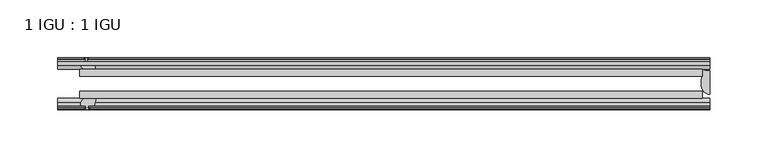
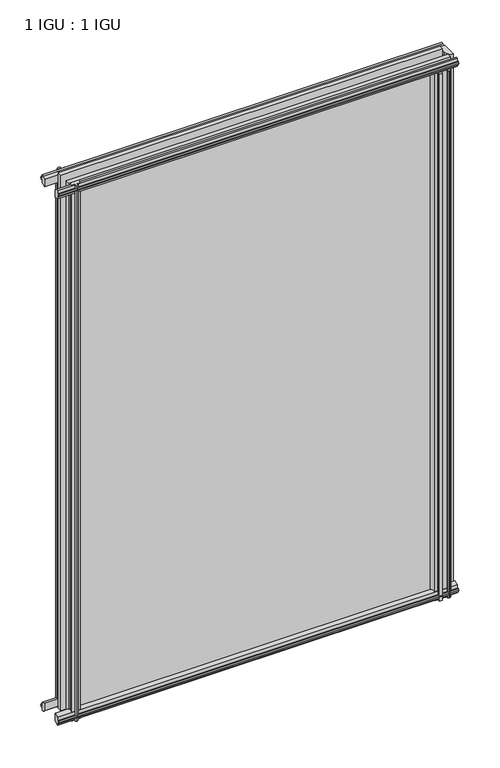
"""IFC4 building model written with IfcOpenShell, lengths in millimetres: plate geometry, 1 IGU : 1 IGU."""

import ifcopenshell
import ifcopenshell.guid

model = None  # the IFC model being written
_history = None  # IfcOwnerHistory: only IFC2X3 demands one
_inside = {}  # id of a spatial element -> (the spatial element, [elements in it])
_under = {}  # id of a project, library or spatial element -> (it, [spatial elements below it])
_declared = {}  # id of a project -> (the project, [libraries it declares])
_typed = {}  # id of a type object -> (the type object, [elements of that type])
_made_of = {}  # id of a material, layer set ... -> (it, [elements and type objects made of it])


def new_model(schema):
    """Start an empty IFC model of exactly this schema.

    Asked for "IFC4X3", IfcOpenShell would pick the latest addendum, in which some entities
    have other attributes; the version numbers below select the first issue.
    IFC2X3 requires an IfcOwnerHistory on every rooted entity: one is made here for all.
    """
    global model, _history
    if schema == "IFC4X3":
        model = ifcopenshell.file(schema_version=(4, 3, 0, 0))
    else:
        model = ifcopenshell.file(schema=schema)
    _inside.clear()
    _under.clear()
    _declared.clear()
    _typed.clear()
    _made_of.clear()
    _history = None
    if model.schema == "IFC2X3":
        org = make("IfcOrganization", Name="unknown")
        user = make(
            "IfcPersonAndOrganization",
            ThePerson=make("IfcPerson", FamilyName="unknown"),
            TheOrganization=org,
        )
        app = make(
            "IfcApplication",
            ApplicationDeveloper=org,
            Version="unknown",
            ApplicationFullName="unknown",
            ApplicationIdentifier="unknown",
        )
        _history = make(
            "IfcOwnerHistory",
            OwningUser=user,
            OwningApplication=app,
            ChangeAction="ADDED",
            CreationDate=0,
        )
    return model


def make(cls, **values):
    """One entity of the class cls with the attributes given. An attribute that is None is left unset."""
    return model.create_entity(
        cls, **{name: value for name, value in values.items() if value is not None}
    )


def rooted(cls, **values):
    """An entity with a GlobalId (a new one), such as an element, a storey or a relation."""
    return make(cls, GlobalId=ifcopenshell.guid.new(), OwnerHistory=_history, **values)


def si_unit(unit_type, name, prefix=None):
    """IfcSIUnit, for example si_unit("LENGTHUNIT", "METRE", prefix="MILLI")."""
    return make("IfcSIUnit", UnitType=unit_type, Prefix=prefix, Name=name)


def assignment(units):
    """IfcUnitAssignment: the units of a project."""
    return None if units is None else make("IfcUnitAssignment", Units=units)


def point(xyz):
    """IfcCartesianPoint."""
    return None if xyz is None else make("IfcCartesianPoint", Coordinates=xyz)


def direction(xyz):
    """IfcDirection."""
    return None if xyz is None else make("IfcDirection", DirectionRatios=xyz)


def frame(location, z_axis=None, x_axis=None):
    """IfcAxis2Placement3D, a coordinate frame: its origin and axes. An axis left out is left unset."""
    return make(
        "IfcAxis2Placement3D",
        Location=point(location),
        Axis=direction(z_axis),
        RefDirection=direction(x_axis),
    )


def frame_2d(location, x_axis=None):
    """IfcAxis2Placement2D, a coordinate frame in the plane: its origin and x axis."""
    return make(
        "IfcAxis2Placement2D", Location=point(location), RefDirection=direction(x_axis)
    )


def origin():
    """The frame at (0, 0, 0) with its axes left unset."""
    return frame((0.0, 0.0, 0.0))


def place(relative_to, where):
    """IfcLocalPlacement: puts the frame where relative to a parent placement (None: the world)."""
    return make(
        "IfcLocalPlacement", PlacementRelTo=relative_to, RelativePlacement=where
    )


def context(
    kind, dimensions, precision=None, world=None, true_north=None, identifier=None
):
    """IfcGeometricRepresentationContext, for example the 3D "Model" context."""
    return make(
        "IfcGeometricRepresentationContext",
        ContextIdentifier=identifier,
        ContextType=kind,
        CoordinateSpaceDimension=dimensions,
        Precision=precision,
        WorldCoordinateSystem=world,
        TrueNorth=true_north,
    )


def project(units=None, contexts=None):
    """IfcProject with its units and contexts."""
    return rooted(
        "IfcProject",
        Name="project",
        RepresentationContexts=contexts,
        UnitsInContext=assignment(units),
    )


def spatial(cls, under=None, at=None, **own):
    """A site, building, storey or space (cls), placed at a placement, below another one or the project."""
    s = rooted(cls, ObjectPlacement=at, **own)
    if under is not None:
        _under.setdefault(under.id(), (under, []))[1].append(s)
    return s


def polyline(points):
    """IfcPolyline through the points."""
    return make("IfcPolyline", Points=[point(p) for p in points])


def circle_curve(where, radius):
    """IfcCircle in the frame where."""
    return make("IfcCircle", Position=where, Radius=radius)


def ellipse_curve(where, semi_axis1, semi_axis2):
    """IfcEllipse in the frame where."""
    return make(
        "IfcEllipse", Position=where, SemiAxis1=semi_axis1, SemiAxis2=semi_axis2
    )


def trimmed(basis, trim1, trim2, sense, master):
    """IfcTrimmedCurve: the piece of a basis curve between two trims."""
    return make(
        "IfcTrimmedCurve",
        BasisCurve=basis,
        Trim1=trim1,
        Trim2=trim2,
        SenseAgreement=sense,
        MasterRepresentation=master,
    )


def segment(curve, same_sense, transition):
    """IfcCompositeCurveSegment."""
    return make(
        "IfcCompositeCurveSegment",
        Transition=transition,
        SameSense=same_sense,
        ParentCurve=curve,
    )


def composite_curve(segments, self_intersect=None):
    """IfcCompositeCurve: segments joined end to end."""
    return make("IfcCompositeCurve", Segments=segments, SelfIntersect=self_intersect)


def outline(outer, holes=None, kind="AREA"):
    """IfcArbitraryClosedProfileDef: a profile drawn as a closed curve; with holes, ...WithVoids."""
    if holes is None:
        return make("IfcArbitraryClosedProfileDef", ProfileType=kind, OuterCurve=outer)
    return make(
        "IfcArbitraryProfileDefWithVoids",
        ProfileType=kind,
        OuterCurve=outer,
        InnerCurves=holes,
    )


def extrude(swept, where, along, depth):
    """IfcExtrudedAreaSolid: the profile swept, set in the frame where, extruded along a direction by depth."""
    return make(
        "IfcExtrudedAreaSolid",
        SweptArea=swept,
        Position=where,
        ExtrudedDirection=direction(along),
        Depth=depth,
    )


def shape(context_of_items, identifier, shape_type, items):
    """IfcShapeRepresentation: the items that make up one representation, for example the "Body"."""
    return make(
        "IfcShapeRepresentation",
        ContextOfItems=context_of_items,
        RepresentationIdentifier=identifier,
        RepresentationType=shape_type,
        Items=items,
    )


def source(mapping_origin, context_of_items, identifier, shape_type, items):
    """IfcRepresentationMap: a shape defined once, which mapped items show again and again."""
    return make(
        "IfcRepresentationMap",
        MappingOrigin=mapping_origin,
        MappedRepresentation=shape(context_of_items, identifier, shape_type, items),
    )


def transform(
    local_origin,
    x_axis=None,
    y_axis=None,
    z_axis=None,
    scale=None,
    scale2=None,
    scale3=None,
    uniform=True,
):
    """IfcCartesianTransformationOperator3D, or its non-uniform kind. x_axis, y_axis, z_axis: its Axis1, 2, 3."""
    if uniform:
        return make(
            "IfcCartesianTransformationOperator3D",
            Axis1=direction(x_axis),
            Axis2=direction(y_axis),
            LocalOrigin=point(local_origin),
            Scale=scale,
            Axis3=direction(z_axis),
        )
    return make(
        "IfcCartesianTransformationOperator3DnonUniform",
        Axis1=direction(x_axis),
        Axis2=direction(y_axis),
        LocalOrigin=point(local_origin),
        Scale=scale,
        Axis3=direction(z_axis),
        Scale2=scale2,
        Scale3=scale3,
    )


def mapped(mapping_source, mapping_target):
    """IfcMappedItem: shows the shape of a source again, moved by a transform."""
    return make(
        "IfcMappedItem", MappingSource=mapping_source, MappingTarget=mapping_target
    )


def made_of(thing, what):
    """Note that an element or type object is made of a material, layer set ...; save() writes the relation."""
    if what is not None:
        _made_of.setdefault(what.id(), (what, []))[1].append(thing)
    return thing


def element(
    cls,
    number,
    at=None,
    inside=None,
    cuts=None,
    type_object=None,
    material=None,
    context=None,
    identifier="Body",
    shape_type=None,
    held_by="IfcProductDefinitionShape",
    body=None,
    shapes=None,
    **own,
):
    """One element of the class cls, such as IfcWall. Its Tag is "e" and its number.

    at: its placement. inside: the storey or other place that contains it. cuts: it is an
    opening in that element (IfcRelVoidsElement). A single representation is given by context,
    identifier, shape_type and body (its items); several are given by shapes. held_by: the class
    of the entity that holds the representations. save() writes the other relations.
    """
    e = rooted(cls, Tag="e%d" % number, ObjectPlacement=at, **own)
    if body is not None:
        shapes = [shape(context, identifier, shape_type, body)]
    if shapes is not None:
        e.Representation = make(held_by, Representations=shapes)
    if inside is not None:
        _inside.setdefault(inside.id(), (inside, []))[1].append(e)
    if cuts is not None:
        rooted(
            "IfcRelVoidsElement", RelatingBuildingElement=cuts, RelatedOpeningElement=e
        )
    if type_object is not None:
        _typed.setdefault(type_object.id(), (type_object, []))[1].append(e)
    return made_of(e, material)


def aggregate(whole, parts):
    """IfcRelAggregates: a whole, such as a stair, and the parts it consists of."""
    return rooted("IfcRelAggregates", RelatingObject=whole, RelatedObjects=parts)


def save(model, path):
    """Write the relations noted so far, then the file.

    IfcRelAggregates (storeys below a building ...), IfcRelContainedInSpatialStructure (elements
    in a storey), IfcRelDefinesByType, IfcRelAssociatesMaterial and IfcRelDeclares: one each for
    every whole, place, type object, material and project.
    """
    for whole, parts in _under.values():
        aggregate(whole, parts)
    for where, things in _inside.values():
        rooted(
            "IfcRelContainedInSpatialStructure",
            RelatedElements=things,
            RelatingStructure=where,
        )
    for kind, things in _typed.values():
        rooted("IfcRelDefinesByType", RelatedObjects=things, RelatingType=kind)
    for what, things in _made_of.values():
        rooted("IfcRelAssociatesMaterial", RelatedObjects=things, RelatingMaterial=what)
    for by, libraries in _declared.values():
        rooted("IfcRelDeclares", RelatingContext=by, RelatedDefinitions=libraries)
    model.write(path)


def plane_surface(at):
    """IfcPlane: the flat surface through the origin of the frame at, square to its z axis."""
    return make("IfcPlane", Position=at)


def cylinder_surface(at, radius):
    """IfcCylindricalSurface: all points at the distance radius from the z axis of the frame at."""
    return make("IfcCylindricalSurface", Position=at, Radius=radius)


def revolved_surface(curve, axis_point, axis_direction):
    """IfcSurfaceOfRevolution: the curve turned about the line through axis_point along axis_direction."""
    return make(
        "IfcSurfaceOfRevolution",
        SweptCurve=make("IfcArbitraryOpenProfileDef", ProfileType="CURVE", Curve=curve),
        AxisPosition=make("IfcAxis1Placement", Location=point(axis_point), Axis=direction(axis_direction)),
    )


def extruded_surface(curve, direction_of_extrusion, depth):
    """IfcSurfaceOfLinearExtrusion: the curve pushed along a direction by depth."""
    return make(
        "IfcSurfaceOfLinearExtrusion",
        SweptCurve=make("IfcArbitraryOpenProfileDef", ProfileType="CURVE", Curve=curve),
        ExtrudedDirection=direction(direction_of_extrusion),
        Depth=depth,
    )


def advanced_brep(points, edges, surfaces, faces):
    """IfcAdvancedBrep: a solid bounded by faces that lie on surfaces and meet in shared edges.

    An edge is (start, end): straight between two places in points (the first is 0);
    or (start, end, curve); or (start, end, curve, False) where it runs against its curve.
    A face is (place in surfaces, loops), or (place, loops, False) where it looks against
    its surface's normal. A loop lists edges by number (the first is 1), with a minus sign
    where the edge is run from its end to its start. The first loop is the outer one.
    """
    corners = [point(p) for p in points]
    vertices = [make("IfcVertexPoint", VertexGeometry=c) for c in corners]
    made = []
    for start, end, *more in edges:
        made.append(
            make(
                "IfcEdgeCurve",
                EdgeStart=vertices[start],
                EdgeEnd=vertices[end],
                EdgeGeometry=more[0] if more else make("IfcPolyline", Points=[corners[start], corners[end]]),
                SameSense=more[1] if len(more) > 1 else True,
            )
        )
    hull = []
    for where, loops, *sense in faces:
        bounds = []
        for j, loop in enumerate(loops):
            ring = [make("IfcOrientedEdge", EdgeElement=made[abs(k) - 1], Orientation=k > 0) for k in loop]
            bounds.append(
                make(
                    "IfcFaceOuterBound" if j == 0 else "IfcFaceBound",
                    Bound=make("IfcEdgeLoop", EdgeList=ring),
                    Orientation=True,
                )
            )
        hull.append(make("IfcAdvancedFace", Bounds=bounds, FaceSurface=surfaces[where], SameSense=sense[0] if sense else True))
    return make("IfcAdvancedBrep", Outer=make("IfcClosedShell", CfsFaces=hull))


def plate_1_igu_1_igu_dde4f203(model_context):
    return source(origin(), model_context, "Body", "SolidModel", [
        extrude(outline(polyline([(-263.5250001, -38.6468937), (276.2250001, -38.6468937), (276.2250001, -44.9460938), (-263.5250001, -44.9460938), (-263.5250001, -38.6468937)])), frame((0.0, 0.0, -12.7), z_axis=(0.0, 0.0, 1.0), x_axis=(1.0, 0.0, 0.0)), (0.0, 0.0, 1.0), 800.0999999),
        extrude(outline(polyline([(-263.5250001, -19.5460937), (276.2250001, -19.5460937), (276.2250001, -25.8960938), (-263.5250001, -25.8960938), (-263.5250001, -19.5460937)])), frame((0.0, 0.0, -12.7), z_axis=(0.0, 0.0, 1.0), x_axis=(1.0, 0.0, 0.0)), (0.0, 0.0, 1.0), 800.0999999),
        advanced_brep(
        [(282.5750001, -21.1709383, -12.4587), (282.5750001, -41.5384061, -12.4587), (275.0526629, -32.2460938, -12.4587), (276.2250001, -25.8452938, -12.4587), (276.2250001, -19.5460938, -12.4587), (282.5750001, -21.1709383, 787.3999999), (276.2250001, -19.5460938, 787.3999999), (276.2250001, -25.8452938, 787.3999999), (275.0526629, -32.2460938, 787.3999999), (282.5750001, -41.5384061, 787.3999999)],
        [
            (0, 1),
            (1, 2, ellipse_curve(frame((282.5750001, -32.2460938, -12.4587), z_axis=(0.0, 0.0, -1.0), x_axis=(0.0, -1.0, 0.0)), 9.2923124, 7.5223371)),
            (2, 3, circle_curve(frame((293.1125764, -32.2460938, -12.4587), z_axis=(0.0, 0.0, -1.0), x_axis=(1.0, 0.0, 0.0)), 18.0599135)),
            (3, 4),
            (4, 0, circle_curve(frame((282.5750001, -7.950406, -12.4587), z_axis=(0.0, 0.0, 1.0), x_axis=(1.0, 0.0, 0.0)), 13.2205323)),
            (5, 6, circle_curve(frame((282.5750001, -7.950406, 787.3999999), z_axis=(0.0, 0.0, -1.0), x_axis=(1.0, 0.0, 0.0)), 13.2205323)),
            (6, 7),
            (7, 8, circle_curve(frame((293.1125764, -32.2460938, 787.3999999), z_axis=(0.0, 0.0, 1.0), x_axis=(1.0, 0.0, 0.0)), 18.0599135)),
            (8, 9, ellipse_curve(frame((282.5750001, -32.2460938, 787.3999999), z_axis=(0.0, 0.0, 1.0), x_axis=(0.0, -1.0, 0.0)), 9.2923124, 7.5223371)),
            (9, 5),
            (1, 9),
            (8, 2),
            (7, 3),
            (6, 4),
            (5, 0),
        ],
        [
            plane_surface(frame((282.5750001, -13.1960938, -12.4587), z_axis=(0.0, 0.0, -1.0), x_axis=(0.0, 1.0, 0.0))),
            plane_surface(frame((282.5750001, -13.1960938, 787.3999999), z_axis=(0.0, 0.0, 1.0), x_axis=(0.0, 1.0, 0.0))),
            extruded_surface(trimmed(ellipse_curve(frame((282.5750001, -32.2460938, 787.3999999), z_axis=(0.0, 0.0, -1.0), x_axis=(0.0, -1.0, 0.0)), 9.2923124, 7.5223371), [point((282.5750001, -41.5384061, 787.3999999))], [point((275.0526629, -32.2460938, 787.3999999))], True, "CARTESIAN"), (0.0, 0.0, -799.8586999), 799.8586999),
            cylinder_surface(frame((293.1125764, -32.2460938, -12.4587), z_axis=(0.0, 0.0, -1.0), x_axis=(1.0, 0.0, 0.0)), 18.0599135),
            plane_surface(frame((276.2250001, -25.8452938, -12.4587), z_axis=(-1.0, 0.0, 0.0), x_axis=(0.0, 0.0, 1.0))),
            revolved_surface(polyline([(295.7955324, -7.950406, 787.3999999), (295.7955324, -7.950406, -12.4587)]), (282.5750001, -7.950406, -12.4587), (0.0, 0.0, 1.0)),
            plane_surface(frame((282.5750001, -21.1709383, -12.4587), z_axis=(1.0, 0.0, 0.0), x_axis=(0.0, 0.0, 1.0))),
        ],
        [
            (0, [[1, 2, 3, 4, 5]]),
            (1, [[6, 7, 8, 9, 10]]),
            (2, [[-2, 11, -9, 12]]),
            (3, [[-3, -12, -8, 13]]),
            (4, [[-4, -13, -7, 14]]),
            (5, [[-5, -14, -6, 15]]),
            (6, [[-1, -15, -10, -11]]),
        ],
    ),
        extrude(outline(polyline([(-44.9460937, 1.7177181), (-44.9460937, -9.1036578), (-48.3496937, -11.938), (-51.2960937, -11.938), (-51.2960937, -7.493), (-53.6762907, -7.112), (-53.2163575, -8.5275291), (-54.0175717, -8.5275291), (-54.7250937, -6.35), (-54.0175717, -4.1724709), (-53.2163575, -4.1724709), (-53.6762907, -5.588), (-51.2960937, -5.207), (-51.2960937, 0.0), (-44.9460937, 1.7177181)])), frame((-282.5750001, 0.0, 0.0), z_axis=(1.0, 0.0, 0.0), x_axis=(0.0, 1.0, 0.0)), (0.0, 0.0, 1.0), 565.1500002),
        extrude(outline(polyline([(-13.1960937, -12.4587), (-16.1424937, -12.4587), (-19.5460937, -9.6243578), (-19.5460937, 1.1970181), (-13.1960937, -0.5207), (-13.1960937, -5.7277), (-10.8158968, -6.1087), (-11.27583, -4.6931709), (-10.4746158, -4.6931709), (-9.7670937, -6.8707), (-10.4746158, -9.0482291), (-11.27583, -9.0482291), (-10.8158968, -7.6327), (-13.1960937, -8.0137), (-13.1960937, -12.4587)])), frame((-282.5750001, 0.0, 0.0), z_axis=(1.0, 0.0, 0.0), x_axis=(0.0, 1.0, 0.0)), (0.0, 0.0, 1.0), 565.1500002),
        extrude(outline(polyline([(-51.2960937, 786.6379999), (-48.3496937, 786.6379999), (-44.9460937, 783.8036577), (-44.9460937, 772.9822818), (-51.2960937, 774.6999999), (-51.2960937, 779.9069999), (-53.6762907, 780.2879999), (-53.2163575, 778.8724708), (-54.0175717, 778.8724708), (-54.7250937, 781.0499999), (-54.0175717, 783.2275289), (-53.2163575, 783.2275289), (-53.6762907, 781.8119999), (-51.2960937, 782.1929999), (-51.2960937, 786.6379999)])), frame((-282.5750001, 0.0, 0.0), z_axis=(1.0, 0.0, 0.0), x_axis=(0.0, 1.0, 0.0)), (0.0, 0.0, 1.0), 565.1500002),
        extrude(outline(polyline([(-19.5460937, 773.5029818), (-19.5460937, 784.3243577), (-16.1424937, 787.1586999), (-13.1960937, 787.1586999), (-13.1960937, 782.7136999), (-10.8158968, 782.3326999), (-11.27583, 783.7482289), (-10.4746158, 783.7482289), (-9.7670937, 781.5706999), (-10.4746158, 779.3931708), (-11.27583, 779.3931708), (-10.8158968, 780.8086999), (-13.1960937, 780.4276999), (-13.1960937, 775.2206999), (-19.5460937, 773.5029818)])), frame((-282.5750001, 0.0, 0.0), z_axis=(1.0, 0.0, 0.0), x_axis=(0.0, 1.0, 0.0)), (0.0, 0.0, 1.0), 565.1500002),
        extrude(outline(composite_curve([segment(polyline([(273.0500002, -44.9460938), (273.0500002, -51.2960938), (271.3990002, -51.2960938), (271.3990002, -52.9470938), (272.476631, -52.9470938)]), True, "CONTINUOUS"), segment(trimmed(circle_curve(frame_2d((271.3990002, -52.9470938)), 1.0776307), [point((272.476631, -52.9470938))], [point((272.1610002, -53.7090938))], False, "CARTESIAN"), True, "CONTINUOUS"), segment(polyline([(272.1610002, -53.7090938), (270.4217078, -54.8194621)]), True, "CONTINUOUS"), segment(trimmed(circle_curve(frame_2d((269.8750002, -53.9630938)), 1.016), [point((270.4217078, -54.8194621))], [point((269.3282926, -54.8194621))], False, "CARTESIAN"), True, "CONTINUOUS"), segment(polyline([(269.3282926, -54.8194621), (267.5890002, -53.7090938)]), True, "CONTINUOUS"), segment(trimmed(circle_curve(frame_2d((268.3510002, -52.9470938)), 1.0776307), [point((267.5890002, -53.7090938))], [point((267.2733695, -52.9470938))], False, "CARTESIAN"), True, "CONTINUOUS"), segment(polyline([(267.2733695, -52.9470938), (268.3510002, -52.9470938), (268.3510002, -51.2960938), (259.2832002, -51.2960938)]), True, "CONTINUOUS"), segment(trimmed(circle_curve(frame_2d((259.2832002, -51.7532938)), 0.4572), [point((259.2832002, -51.2960938))], [point((258.9443824, -52.0602698))], True, "CARTESIAN"), True, "CONTINUOUS"), segment(trimmed(circle_curve(frame_2d((257.1750002, -53.663367)), 2.3876), [point((258.9443824, -52.0602698))], [point((259.2456432, -54.8520938))], False, "CARTESIAN"), True, "CONTINUOUS"), segment(polyline([(259.2456432, -54.8520938), (255.1043572, -54.8520938)]), True, "CONTINUOUS"), segment(trimmed(circle_curve(frame_2d((257.1750002, -53.663367)), 2.3876), [point((255.1043572, -54.8520938))], [point((255.4056181, -52.0602698))], False, "CARTESIAN"), True, "CONTINUOUS"), segment(trimmed(circle_curve(frame_2d((255.0668002, -51.7532938)), 0.4572), [point((255.4056181, -52.0602698))], [point((255.0668002, -51.2960938))], True, "CARTESIAN"), True, "CONTINUOUS"), segment(polyline([(255.0668002, -51.2960938), (250.8250002, -51.2960938)]), True, "CONTINUOUS"), segment(trimmed(circle_curve(frame_2d((241.8090688, -51.9750196)), 9.0414579), [point((250.8250002, -51.2960938))], [point((247.4960857, -44.9460938))], True, "CARTESIAN"), True, "CONTINUOUS"), segment(polyline([(247.4960857, -44.9460938), (273.0500002, -44.9460938)]), True, "CONTINUOUS")], self_intersect=False)), frame((0.0, 0.0, -12.7), z_axis=(0.0, 0.0, 1.0), x_axis=(1.0, 0.0, 0.0)), (0.0, 0.0, 1.0), 787.3999999),
        extrude(outline(polyline([(-257.6957001, -9.7670937), (-255.518171, -10.4746158), (-255.518171, -11.27583), (-256.9337001, -10.8158968), (-256.5527001, -13.1960937), (-251.3457001, -13.1960937), (-249.627982, -19.5460937), (-260.4493579, -19.5460937), (-263.2837001, -16.1424937), (-263.2837001, -13.1960937), (-258.8387001, -13.1960937), (-258.4577001, -10.8158968), (-259.8732291, -11.27583), (-259.8732291, -10.4746158), (-257.6957001, -9.7670937)])), frame((0.0, 0.0, -12.7), z_axis=(0.0, 0.0, 1.0), x_axis=(1.0, 0.0, 0.0)), (0.0, 0.0, 1.0), 800.1),
        extrude(outline(polyline([(-262.7630001, -48.3496937), (-259.9286579, -44.9460937), (-249.107282, -44.9460937), (-250.8250001, -51.2960937), (-256.0320001, -51.2960937), (-256.4130001, -53.6762907), (-254.997471, -53.2163575), (-254.997471, -54.0175717), (-257.1750001, -54.7250937), (-259.3525291, -54.0175717), (-259.3525291, -53.2163575), (-257.9370001, -53.6762907), (-258.3180001, -51.2960937), (-262.7630001, -51.2960937), (-262.7630001, -48.3496937)])), frame((0.0, 0.0, -12.7), z_axis=(0.0, 0.0, 1.0), x_axis=(1.0, 0.0, 0.0)), (0.0, 0.0, 1.0), 800.1),
    ])


if __name__ == "__main__":
    model = new_model("IFC4")
    model_context = context("Model", 3, world=origin())
    ifc_project = project(units=[si_unit("LENGTHUNIT", "METRE", prefix="MILLI")], contexts=[model_context])
    site = spatial("IfcSite", under=ifc_project)
    building = spatial("IfcBuilding", under=site)
    placement = place(None, origin())
    plate_1_igu_1_igu_shape = plate_1_igu_1_igu_dde4f203(model_context)
    element("IfcPlate", 1, ObjectType="1 IGU : 1 IGU", at=placement, inside=building, context=model_context, shape_type="MappedRepresentation", body=[
        mapped(plate_1_igu_1_igu_shape, transform((0.0, 0.0, 0.0), x_axis=(1.0, 0.0, 0.0), y_axis=(0.0, 1.0, 0.0), z_axis=(0.0, 0.0, 1.0))),
    ])
    save(model, "model.ifc")
